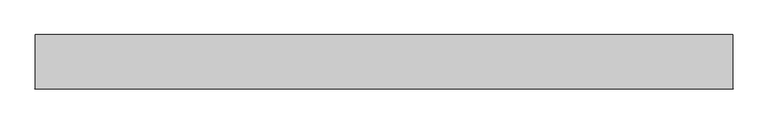
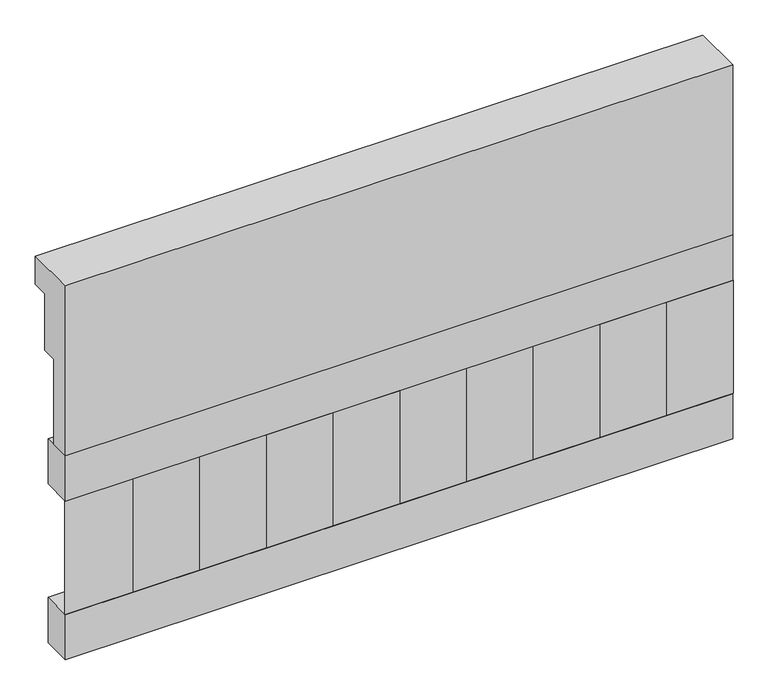
"""IFC4 building model written with IfcOpenShell, lengths in millimetres: railing geometry."""

from ifc_helpers import new_model, si_unit, frame, origin, place, context, project, spatial, polyline, outline, extrude, source, transform, mapped, element, save


def railing_07036f8e(model_context):
    return source(origin(), model_context, "Body", "SweptSolid", [
        extrude(outline(polyline([(903.1079487, 21800.0), (1033.1079487, 21800.0), (1033.1079487, 21725.0), (993.1079487, 21725.0), (993.1079487, 21575.0), (953.1079487, 21575.0), (953.1079487, 21350.0), (903.1079487, 21350.0), (903.1079487, 21800.0)])), frame((-8909.9887159, 0.0, 0.0), z_axis=(1.0, 0.0, 0.0), x_axis=(0.0, 1.0, 0.0)), (0.0, 0.0, 1.0), 1670.0),
        extrude(outline(polyline([(-7239.9887159, 978.1079487), (-7239.9887159, 903.1079487), (-8909.9887159, 903.1079487), (-8909.9887159, 978.1079487), (-7239.9887159, 978.1079487)])), frame((0.0, 0.0, 21230.0), z_axis=(0.0, 0.0, 1.0), x_axis=(1.0, 0.0, 0.0)), (0.0, 0.0, 1.0), 120.0),
        extrude(outline(polyline([(-7239.9887159, 978.1079487), (-7239.9887159, 903.1079487), (-8909.9887159, 903.1079487), (-8909.9887159, 978.1079487), (-7239.9887159, 978.1079487)])), frame((0.0, 0.0, 20810.0), z_axis=(0.0, 0.0, 1.0), x_axis=(1.0, 0.0, 0.0)), (0.0, 0.0, 1.0), 120.0),
        extrude(outline(polyline([(-8826.4887159, 987.9607624), (-8741.6359022, 903.1079487), (-8911.3415296, 903.1079487), (-8826.4887159, 987.9607624)])), frame((0.0, 0.0, 20930.0), z_axis=(0.0, 0.0, 1.0), x_axis=(1.0, 0.0, 0.0)), (0.0, 0.0, 1.0), 300.0),
        extrude(outline(polyline([(-8659.4887159, 987.9607624), (-8574.6359022, 903.1079487), (-8744.3415296, 903.1079487), (-8659.4887159, 987.9607624)])), frame((0.0, 0.0, 20930.0), z_axis=(0.0, 0.0, 1.0), x_axis=(1.0, 0.0, 0.0)), (0.0, 0.0, 1.0), 300.0),
        extrude(outline(polyline([(-8492.4887159, 987.9607624), (-8407.6359022, 903.1079487), (-8577.3415296, 903.1079487), (-8492.4887159, 987.9607624)])), frame((0.0, 0.0, 20930.0), z_axis=(0.0, 0.0, 1.0), x_axis=(1.0, 0.0, 0.0)), (0.0, 0.0, 1.0), 300.0),
        extrude(outline(polyline([(-8325.4887159, 987.9607624), (-8240.6359022, 903.1079487), (-8410.3415296, 903.1079487), (-8325.4887159, 987.9607624)])), frame((0.0, 0.0, 20930.0), z_axis=(0.0, 0.0, 1.0), x_axis=(1.0, 0.0, 0.0)), (0.0, 0.0, 1.0), 300.0),
        extrude(outline(polyline([(-8158.4887159, 987.9607624), (-8073.6359022, 903.1079487), (-8243.3415296, 903.1079487), (-8158.4887159, 987.9607624)])), frame((0.0, 0.0, 20930.0), z_axis=(0.0, 0.0, 1.0), x_axis=(1.0, 0.0, 0.0)), (0.0, 0.0, 1.0), 300.0),
        extrude(outline(polyline([(-7991.4887159, 987.9607624), (-7906.6359022, 903.1079487), (-8076.3415296, 903.1079487), (-7991.4887159, 987.9607624)])), frame((0.0, 0.0, 20930.0), z_axis=(0.0, 0.0, 1.0), x_axis=(1.0, 0.0, 0.0)), (0.0, 0.0, 1.0), 300.0),
        extrude(outline(polyline([(-7824.4887159, 987.9607624), (-7739.6359022, 903.1079487), (-7909.3415296, 903.1079487), (-7824.4887159, 987.9607624)])), frame((0.0, 0.0, 20930.0), z_axis=(0.0, 0.0, 1.0), x_axis=(1.0, 0.0, 0.0)), (0.0, 0.0, 1.0), 300.0),
        extrude(outline(polyline([(-7657.4887159, 987.9607624), (-7572.6359022, 903.1079487), (-7742.3415296, 903.1079487), (-7657.4887159, 987.9607624)])), frame((0.0, 0.0, 20930.0), z_axis=(0.0, 0.0, 1.0), x_axis=(1.0, 0.0, 0.0)), (0.0, 0.0, 1.0), 300.0),
        extrude(outline(polyline([(-7490.4887159, 987.9607624), (-7405.6359022, 903.1079487), (-7575.3415296, 903.1079487), (-7490.4887159, 987.9607624)])), frame((0.0, 0.0, 20930.0), z_axis=(0.0, 0.0, 1.0), x_axis=(1.0, 0.0, 0.0)), (0.0, 0.0, 1.0), 300.0),
        extrude(outline(polyline([(-7323.4887159, 987.9607624), (-7238.6359022, 903.1079487), (-7408.3415296, 903.1079487), (-7323.4887159, 987.9607624)])), frame((0.0, 0.0, 20930.0), z_axis=(0.0, 0.0, 1.0), x_axis=(1.0, 0.0, 0.0)), (0.0, 0.0, 1.0), 300.0),
    ])


if __name__ == "__main__":
    model = new_model("IFC4")
    model_context = context("Model", 3, world=origin())
    ifc_project = project(units=[si_unit("LENGTHUNIT", "METRE", prefix="MILLI")], contexts=[model_context])
    site = spatial("IfcSite", under=ifc_project)
    building = spatial("IfcBuilding", under=site)
    placement = place(None, origin())
    railing_shape = railing_07036f8e(model_context)
    element("IfcRailing", 1, at=placement, inside=building, context=model_context, shape_type="MappedRepresentation", body=[
        mapped(railing_shape, transform((0.0, 0.0, 0.0), x_axis=(1.0, 0.0, 0.0), y_axis=(0.0, 1.0, 0.0), z_axis=(0.0, 0.0, 1.0))),
    ])
    save(model, "model.ifc")
